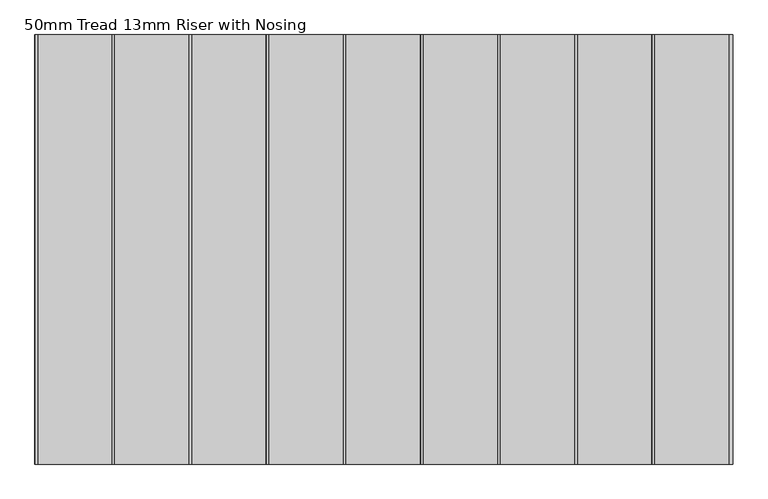
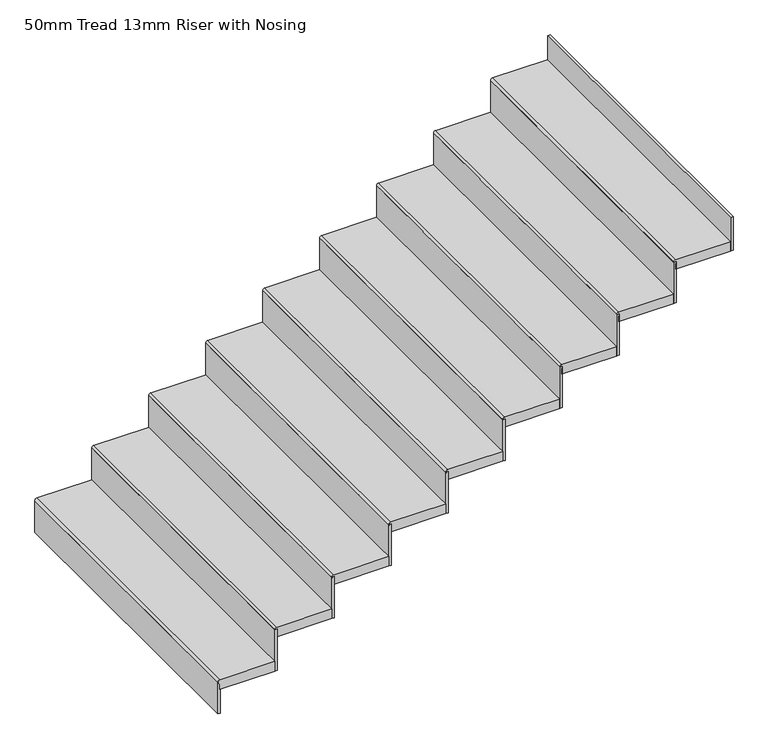
"""IFC4 building model written with IfcOpenShell, lengths in millimetres: stair flight geometry, 50mm Tread 13mm Riser with Nosing."""

from ifc_helpers import new_model, si_unit, point, frame, frame_2d, origin, place, context, project, spatial, polyline, circle_curve, trimmed, segment, composite_curve, outline, extrude, source, transform, mapped, element, save


def stair_flight_50mm_tread_13mm_riser_with_nosing_67580316(model_context):
    return source(origin(), model_context, "Body", "SweptSolid", [
        extrude(outline(composite_curve([segment(polyline([(7175.0, -23460.801725), (7175.0, -23730.801725)]), True, "CONTINUOUS"), segment(trimmed(circle_curve(frame_2d((7165.0, -23730.801725)), 10.0), [point((7175.0, -23730.801725))], [point((7155.0, -23730.801725))], False, "CARTESIAN"), True, "CONTINUOUS"), segment(polyline([(7155.0, -23730.801725), (7125.0, -23730.801725), (7125.0, -23460.801725), (7175.0, -23460.801725)]), True, "CONTINUOUS")], self_intersect=False)), frame((0.0, 15738.4068866, 0.0), z_axis=(0.0, 1.0, 0.0), x_axis=(0.0, 0.0, 1.0)), (0.0, 0.0, 1.0), 1558.2509397),
        extrude(outline(polyline([(-23728.301725, 15738.4068866), (-23740.801725, 15738.4068866), (-23740.801725, 17296.6578262), (-23728.301725, 17296.6578262), (-23728.301725, 15738.4068866)])), frame((0.0, 0.0, 7000.0), z_axis=(0.0, 0.0, 1.0), x_axis=(1.0, 0.0, 0.0)), (0.0, 0.0, 1.0), 165.0),
        extrude(outline(polyline([(-23448.301725, 15738.4068866), (-23460.801725, 15738.4068866), (-23460.801725, 17296.6578262), (-23448.301725, 17296.6578262), (-23448.301725, 15738.4068866)])), frame((0.0, 0.0, 7125.0), z_axis=(0.0, 0.0, 1.0), x_axis=(1.0, 0.0, 0.0)), (0.0, 0.0, 1.0), 215.0),
        extrude(outline(composite_curve([segment(polyline([(7350.0, -23180.801725), (7350.0, -23450.801725)]), True, "CONTINUOUS"), segment(trimmed(circle_curve(frame_2d((7340.0, -23450.801725)), 10.0), [point((7350.0, -23450.801725))], [point((7330.0, -23450.801725))], False, "CARTESIAN"), True, "CONTINUOUS"), segment(polyline([(7330.0, -23450.801725), (7300.0, -23450.801725), (7300.0, -23180.801725), (7350.0, -23180.801725)]), True, "CONTINUOUS")], self_intersect=False)), frame((0.0, 15738.4068866, 0.0), z_axis=(0.0, 1.0, 0.0), x_axis=(0.0, 0.0, 1.0)), (0.0, 0.0, 1.0), 1558.2509397),
        extrude(outline(polyline([(-23168.301725, 15738.4068866), (-23180.801725, 15738.4068866), (-23180.801725, 17296.6578262), (-23168.301725, 17296.6578262), (-23168.301725, 15738.4068866)])), frame((0.0, 0.0, 7300.0), z_axis=(0.0, 0.0, 1.0), x_axis=(1.0, 0.0, 0.0)), (0.0, 0.0, 1.0), 215.0),
        extrude(outline(composite_curve([segment(polyline([(7525.0, -22900.801725), (7525.0, -23170.801725)]), True, "CONTINUOUS"), segment(trimmed(circle_curve(frame_2d((7515.0, -23170.801725)), 10.0), [point((7525.0, -23170.801725))], [point((7505.0, -23170.801725))], False, "CARTESIAN"), True, "CONTINUOUS"), segment(polyline([(7505.0, -23170.801725), (7475.0, -23170.801725), (7475.0, -22900.801725), (7525.0, -22900.801725)]), True, "CONTINUOUS")], self_intersect=False)), frame((0.0, 15738.4068866, 0.0), z_axis=(0.0, 1.0, 0.0), x_axis=(0.0, 0.0, 1.0)), (0.0, 0.0, 1.0), 1558.2509397),
        extrude(outline(polyline([(-22888.301725, 15738.4068866), (-22900.801725, 15738.4068866), (-22900.801725, 17296.6578262), (-22888.301725, 17296.6578262), (-22888.301725, 15738.4068866)])), frame((0.0, 0.0, 7475.0), z_axis=(0.0, 0.0, 1.0), x_axis=(1.0, 0.0, 0.0)), (0.0, 0.0, 1.0), 215.0),
        extrude(outline(composite_curve([segment(polyline([(7700.0, -22620.801725), (7700.0, -22890.801725)]), True, "CONTINUOUS"), segment(trimmed(circle_curve(frame_2d((7690.0, -22890.801725)), 10.0), [point((7700.0, -22890.801725))], [point((7680.0, -22890.801725))], False, "CARTESIAN"), True, "CONTINUOUS"), segment(polyline([(7680.0, -22890.801725), (7650.0, -22890.801725), (7650.0, -22620.801725), (7700.0, -22620.801725)]), True, "CONTINUOUS")], self_intersect=False)), frame((0.0, 15738.4068866, 0.0), z_axis=(0.0, 1.0, 0.0), x_axis=(0.0, 0.0, 1.0)), (0.0, 0.0, 1.0), 1558.2509397),
        extrude(outline(polyline([(-22608.301725, 15738.4068866), (-22620.801725, 15738.4068866), (-22620.801725, 17296.6578262), (-22608.301725, 17296.6578262), (-22608.301725, 15738.4068866)])), frame((0.0, 0.0, 7650.0), z_axis=(0.0, 0.0, 1.0), x_axis=(1.0, 0.0, 0.0)), (0.0, 0.0, 1.0), 215.0),
        extrude(outline(composite_curve([segment(polyline([(7875.0, -22340.801725), (7875.0, -22610.801725)]), True, "CONTINUOUS"), segment(trimmed(circle_curve(frame_2d((7865.0, -22610.801725)), 10.0), [point((7875.0, -22610.801725))], [point((7855.0, -22610.801725))], False, "CARTESIAN"), True, "CONTINUOUS"), segment(polyline([(7855.0, -22610.801725), (7825.0, -22610.801725), (7825.0, -22340.801725), (7875.0, -22340.801725)]), True, "CONTINUOUS")], self_intersect=False)), frame((0.0, 15738.4068866, 0.0), z_axis=(0.0, 1.0, 0.0), x_axis=(0.0, 0.0, 1.0)), (0.0, 0.0, 1.0), 1558.2509397),
        extrude(outline(polyline([(-22328.301725, 15738.4068866), (-22340.801725, 15738.4068866), (-22340.801725, 17296.6578262), (-22328.301725, 17296.6578262), (-22328.301725, 15738.4068866)])), frame((0.0, 0.0, 7825.0), z_axis=(0.0, 0.0, 1.0), x_axis=(1.0, 0.0, 0.0)), (0.0, 0.0, 1.0), 215.0),
        extrude(outline(composite_curve([segment(polyline([(8050.0, -22060.801725), (8050.0, -22330.801725)]), True, "CONTINUOUS"), segment(trimmed(circle_curve(frame_2d((8040.0, -22330.801725)), 10.0), [point((8050.0, -22330.801725))], [point((8030.0, -22330.801725))], False, "CARTESIAN"), True, "CONTINUOUS"), segment(polyline([(8030.0, -22330.801725), (8000.0, -22330.801725), (8000.0, -22060.801725), (8050.0, -22060.801725)]), True, "CONTINUOUS")], self_intersect=False)), frame((0.0, 15738.4068866, 0.0), z_axis=(0.0, 1.0, 0.0), x_axis=(0.0, 0.0, 1.0)), (0.0, 0.0, 1.0), 1558.2509397),
        extrude(outline(polyline([(-22048.301725, 15738.4068866), (-22060.801725, 15738.4068866), (-22060.801725, 17296.6578262), (-22048.301725, 17296.6578262), (-22048.301725, 15738.4068866)])), frame((0.0, 0.0, 8000.0), z_axis=(0.0, 0.0, 1.0), x_axis=(1.0, 0.0, 0.0)), (0.0, 0.0, 1.0), 215.0),
        extrude(outline(composite_curve([segment(polyline([(8225.0, -21780.801725), (8225.0, -22050.801725)]), True, "CONTINUOUS"), segment(trimmed(circle_curve(frame_2d((8215.0, -22050.801725)), 10.0), [point((8225.0, -22050.801725))], [point((8205.0, -22050.801725))], False, "CARTESIAN"), True, "CONTINUOUS"), segment(polyline([(8205.0, -22050.801725), (8175.0, -22050.801725), (8175.0, -21780.801725), (8225.0, -21780.801725)]), True, "CONTINUOUS")], self_intersect=False)), frame((0.0, 15738.4068866, 0.0), z_axis=(0.0, 1.0, 0.0), x_axis=(0.0, 0.0, 1.0)), (0.0, 0.0, 1.0), 1558.2509397),
        extrude(outline(polyline([(-21768.301725, 15738.4068866), (-21780.801725, 15738.4068866), (-21780.801725, 17296.6578262), (-21768.301725, 17296.6578262), (-21768.301725, 15738.4068866)])), frame((0.0, 0.0, 8175.0), z_axis=(0.0, 0.0, 1.0), x_axis=(1.0, 0.0, 0.0)), (0.0, 0.0, 1.0), 215.0),
        extrude(outline(composite_curve([segment(polyline([(8400.0, -21500.801725), (8400.0, -21770.801725)]), True, "CONTINUOUS"), segment(trimmed(circle_curve(frame_2d((8390.0, -21770.801725)), 10.0), [point((8400.0, -21770.801725))], [point((8380.0, -21770.801725))], False, "CARTESIAN"), True, "CONTINUOUS"), segment(polyline([(8380.0, -21770.801725), (8350.0, -21770.801725), (8350.0, -21500.801725), (8400.0, -21500.801725)]), True, "CONTINUOUS")], self_intersect=False)), frame((0.0, 15738.4068866, 0.0), z_axis=(0.0, 1.0, 0.0), x_axis=(0.0, 0.0, 1.0)), (0.0, 0.0, 1.0), 1558.2509397),
        extrude(outline(polyline([(-21488.301725, 15738.4068866), (-21500.801725, 15738.4068866), (-21500.801725, 17296.6578262), (-21488.301725, 17296.6578262), (-21488.301725, 15738.4068866)])), frame((0.0, 0.0, 8350.0), z_axis=(0.0, 0.0, 1.0), x_axis=(1.0, 0.0, 0.0)), (0.0, 0.0, 1.0), 215.0),
        extrude(outline(polyline([(-21208.301725, 15738.4068866), (-21220.801725, 15738.4068866), (-21220.801725, 17296.6578262), (-21208.301725, 17296.6578262), (-21208.301725, 15738.4068866)])), frame((0.0, 0.0, 8525.0), z_axis=(0.0, 0.0, 1.0), x_axis=(1.0, 0.0, 0.0)), (0.0, 0.0, 1.0), 175.0),
        extrude(outline(composite_curve([segment(polyline([(8575.0, -21220.801725), (8575.0, -21490.801725)]), True, "CONTINUOUS"), segment(trimmed(circle_curve(frame_2d((8565.0, -21490.801725)), 10.0), [point((8575.0, -21490.801725))], [point((8555.0, -21490.801725))], False, "CARTESIAN"), True, "CONTINUOUS"), segment(polyline([(8555.0, -21490.801725), (8525.0, -21490.801725), (8525.0, -21220.801725), (8575.0, -21220.801725)]), True, "CONTINUOUS")], self_intersect=False)), frame((0.0, 15738.4068866, 0.0), z_axis=(0.0, 1.0, 0.0), x_axis=(0.0, 0.0, 1.0)), (0.0, 0.0, 1.0), 1558.2509397),
    ])


if __name__ == "__main__":
    model = new_model("IFC4")
    model_context = context("Model", 3, world=origin())
    ifc_project = project(units=[si_unit("LENGTHUNIT", "METRE", prefix="MILLI")], contexts=[model_context])
    site = spatial("IfcSite", under=ifc_project)
    building = spatial("IfcBuilding", under=site)
    placement = place(None, origin())
    stair_flight_50mm_tread_13mm_riser_with_nosing_shape = stair_flight_50mm_tread_13mm_riser_with_nosing_67580316(model_context)
    element("IfcStairFlight", 1, ObjectType="50mm Tread 13mm Riser with Nosing", at=placement, inside=building, context=model_context, shape_type="MappedRepresentation", body=[
        mapped(stair_flight_50mm_tread_13mm_riser_with_nosing_shape, transform((0.0, 0.0, 0.0), x_axis=(1.0, 0.0, 0.0), y_axis=(0.0, 1.0, 0.0), z_axis=(0.0, 0.0, 1.0))),
    ])
    save(model, "model.ifc")
